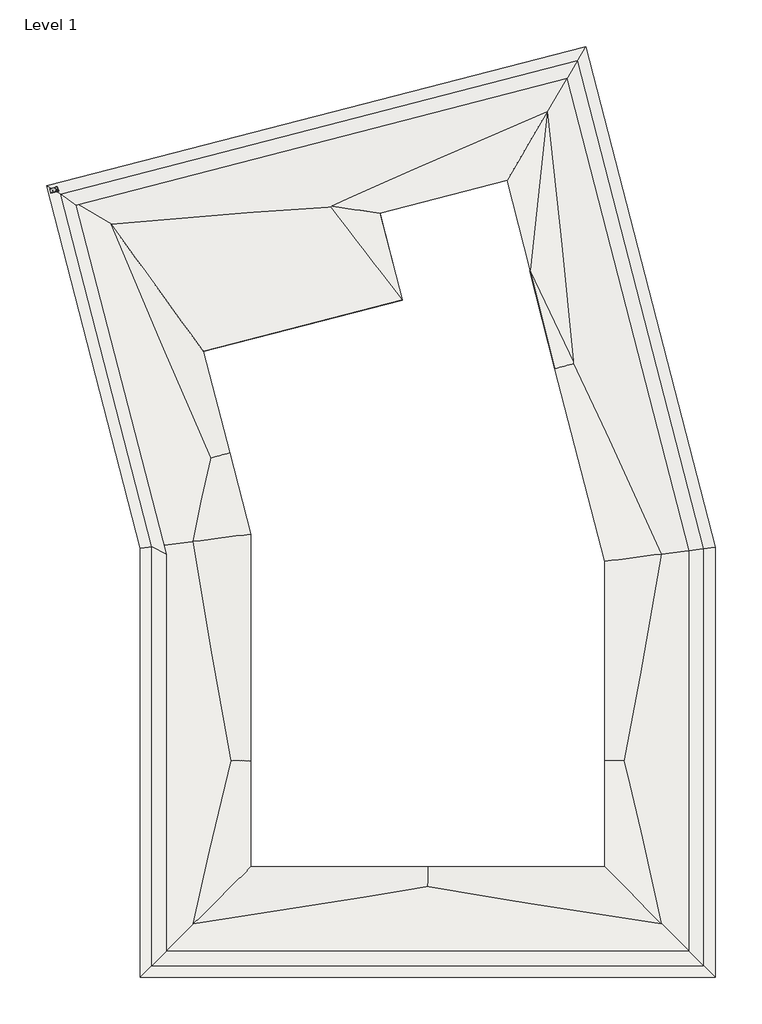
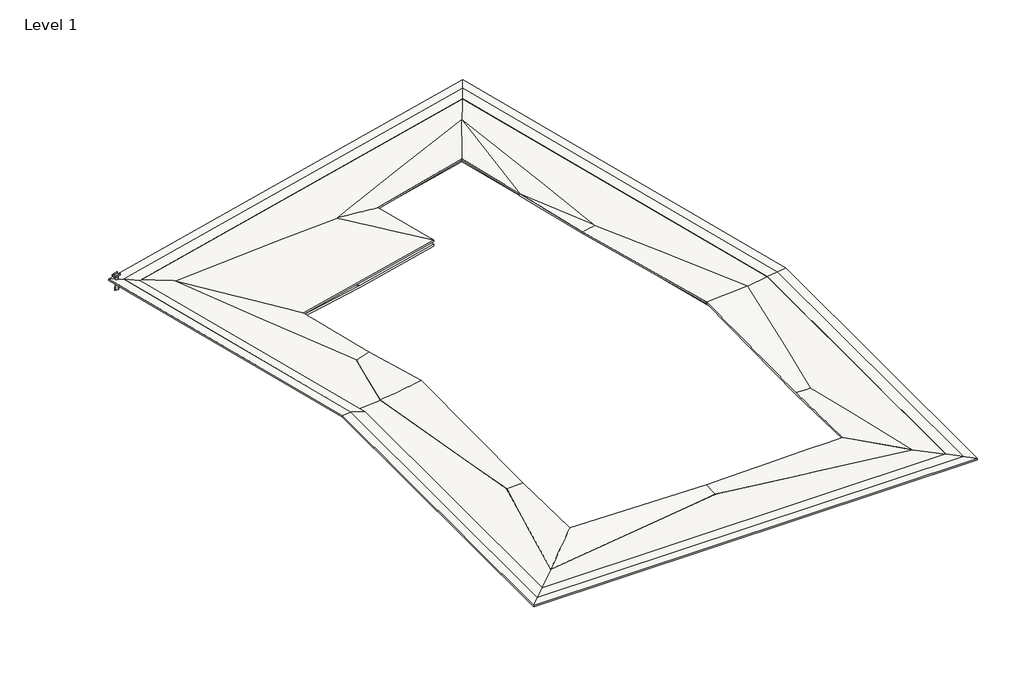
# One storey: 2 roofs, 1 proxy, 1 slab.
"""IFC4 building model written with IfcOpenShell, lengths in millimetres."""

import ifcopenshell
import ifcopenshell.guid

model = None  # the IFC model being written
_history = None  # IfcOwnerHistory: only IFC2X3 demands one
_inside = {}  # id of a spatial element -> (the spatial element, [elements in it])
_under = {}  # id of a project, library or spatial element -> (it, [spatial elements below it])
_declared = {}  # id of a project -> (the project, [libraries it declares])
_typed = {}  # id of a type object -> (the type object, [elements of that type])
_made_of = {}  # id of a material, layer set ... -> (it, [elements and type objects made of it])


def new_model(schema):
    """Start an empty IFC model of exactly this schema.

    Asked for "IFC4X3", IfcOpenShell would pick the latest addendum, in which some entities
    have other attributes; the version numbers below select the first issue.
    IFC2X3 requires an IfcOwnerHistory on every rooted entity: one is made here for all.
    """
    global model, _history
    if schema == "IFC4X3":
        model = ifcopenshell.file(schema_version=(4, 3, 0, 0))
    else:
        model = ifcopenshell.file(schema=schema)
    _inside.clear()
    _under.clear()
    _declared.clear()
    _typed.clear()
    _made_of.clear()
    _history = None
    if model.schema == "IFC2X3":
        org = make("IfcOrganization", Name="unknown")
        user = make(
            "IfcPersonAndOrganization",
            ThePerson=make("IfcPerson", FamilyName="unknown"),
            TheOrganization=org,
        )
        app = make(
            "IfcApplication",
            ApplicationDeveloper=org,
            Version="unknown",
            ApplicationFullName="unknown",
            ApplicationIdentifier="unknown",
        )
        _history = make(
            "IfcOwnerHistory",
            OwningUser=user,
            OwningApplication=app,
            ChangeAction="ADDED",
            CreationDate=0,
        )
    return model


def make(cls, **values):
    """One entity of the class cls with the attributes given. An attribute that is None is left unset."""
    return model.create_entity(
        cls, **{name: value for name, value in values.items() if value is not None}
    )


def rooted(cls, **values):
    """An entity with a GlobalId (a new one), such as an element, a storey or a relation."""
    return make(cls, GlobalId=ifcopenshell.guid.new(), OwnerHistory=_history, **values)


def si_unit(unit_type, name, prefix=None):
    """IfcSIUnit, for example si_unit("LENGTHUNIT", "METRE", prefix="MILLI")."""
    return make("IfcSIUnit", UnitType=unit_type, Prefix=prefix, Name=name)


def assignment(units):
    """IfcUnitAssignment: the units of a project."""
    return None if units is None else make("IfcUnitAssignment", Units=units)


def point(xyz):
    """IfcCartesianPoint."""
    return None if xyz is None else make("IfcCartesianPoint", Coordinates=xyz)


def direction(xyz):
    """IfcDirection."""
    return None if xyz is None else make("IfcDirection", DirectionRatios=xyz)


def frame(location, z_axis=None, x_axis=None):
    """IfcAxis2Placement3D, a coordinate frame: its origin and axes. An axis left out is left unset."""
    return make(
        "IfcAxis2Placement3D",
        Location=point(location),
        Axis=direction(z_axis),
        RefDirection=direction(x_axis),
    )


def frame_2d(location, x_axis=None):
    """IfcAxis2Placement2D, a coordinate frame in the plane: its origin and x axis."""
    return make(
        "IfcAxis2Placement2D", Location=point(location), RefDirection=direction(x_axis)
    )


def origin():
    """The frame at (0, 0, 0) with its axes left unset."""
    return frame((0.0, 0.0, 0.0))


def place(relative_to, where):
    """IfcLocalPlacement: puts the frame where relative to a parent placement (None: the world)."""
    return make(
        "IfcLocalPlacement", PlacementRelTo=relative_to, RelativePlacement=where
    )


def context(
    kind, dimensions, precision=None, world=None, true_north=None, identifier=None
):
    """IfcGeometricRepresentationContext, for example the 3D "Model" context."""
    return make(
        "IfcGeometricRepresentationContext",
        ContextIdentifier=identifier,
        ContextType=kind,
        CoordinateSpaceDimension=dimensions,
        Precision=precision,
        WorldCoordinateSystem=world,
        TrueNorth=true_north,
    )


def project(units=None, contexts=None):
    """IfcProject with its units and contexts."""
    return rooted(
        "IfcProject",
        Name="project",
        RepresentationContexts=contexts,
        UnitsInContext=assignment(units),
    )


def spatial(cls, under=None, at=None, **own):
    """A site, building, storey or space (cls), placed at a placement, below another one or the project."""
    s = rooted(cls, ObjectPlacement=at, **own)
    if under is not None:
        _under.setdefault(under.id(), (under, []))[1].append(s)
    return s


def polyline(points):
    """IfcPolyline through the points."""
    return make("IfcPolyline", Points=[point(p) for p in points])


def circle_curve(where, radius):
    """IfcCircle in the frame where."""
    return make("IfcCircle", Position=where, Radius=radius)


def ellipse_curve(where, semi_axis1, semi_axis2):
    """IfcEllipse in the frame where."""
    return make(
        "IfcEllipse", Position=where, SemiAxis1=semi_axis1, SemiAxis2=semi_axis2
    )


def trimmed(basis, trim1, trim2, sense, master):
    """IfcTrimmedCurve: the piece of a basis curve between two trims."""
    return make(
        "IfcTrimmedCurve",
        BasisCurve=basis,
        Trim1=trim1,
        Trim2=trim2,
        SenseAgreement=sense,
        MasterRepresentation=master,
    )


def segment(curve, same_sense, transition):
    """IfcCompositeCurveSegment."""
    return make(
        "IfcCompositeCurveSegment",
        Transition=transition,
        SameSense=same_sense,
        ParentCurve=curve,
    )


def composite_curve(segments, self_intersect=None):
    """IfcCompositeCurve: segments joined end to end."""
    return make("IfcCompositeCurve", Segments=segments, SelfIntersect=self_intersect)


def outline(outer, holes=None, kind="AREA"):
    """IfcArbitraryClosedProfileDef: a profile drawn as a closed curve; with holes, ...WithVoids."""
    if holes is None:
        return make("IfcArbitraryClosedProfileDef", ProfileType=kind, OuterCurve=outer)
    return make(
        "IfcArbitraryProfileDefWithVoids",
        ProfileType=kind,
        OuterCurve=outer,
        InnerCurves=holes,
    )


def extrude(swept, where, along, depth):
    """IfcExtrudedAreaSolid: the profile swept, set in the frame where, extruded along a direction by depth."""
    return make(
        "IfcExtrudedAreaSolid",
        SweptArea=swept,
        Position=where,
        ExtrudedDirection=direction(along),
        Depth=depth,
    )


def faces_of(points, faces, orient=None, outer=None):
    """IfcFace entities. A face is a list of loops; a loop is a list of indices into points, from 0.

    orient and outer hold one flag for each loop. By default every Orientation is true, the
    first loop of a face is its IfcFaceOuterBound and the others are IfcFaceBound.
    """
    made = []
    for i, loops in enumerate(faces):
        bounds = []
        for j, loop in enumerate(loops):
            is_outer = j == 0 if outer is None else outer[i][j]
            bounds.append(
                make(
                    "IfcFaceOuterBound" if is_outer else "IfcFaceBound",
                    Bound=make("IfcPolyLoop", Polygon=[points[k] for k in loop]),
                    Orientation=True if orient is None else orient[i][j],
                )
            )
        made.append(make("IfcFace", Bounds=bounds))
    return made


def faceted_brep(points, faces, orient=None, outer=None, voids=None):
    """IfcFacetedBrep: a solid bounded by flat faces; with voids (closed shells), ...WithVoids."""
    shared = [point(p) for p in points]
    hull = make("IfcClosedShell", CfsFaces=faces_of(shared, faces, orient, outer))
    if voids is None:
        return make("IfcFacetedBrep", Outer=hull)
    return make(
        "IfcFacetedBrepWithVoids",
        Outer=hull,
        Voids=[
            make(cls, CfsFaces=faces_of(shared, fs, o, b)) for cls, fs, o, b in voids
        ],
    )


def shape(context_of_items, identifier, shape_type, items):
    """IfcShapeRepresentation: the items that make up one representation, for example the "Body"."""
    return make(
        "IfcShapeRepresentation",
        ContextOfItems=context_of_items,
        RepresentationIdentifier=identifier,
        RepresentationType=shape_type,
        Items=items,
    )


def source(mapping_origin, context_of_items, identifier, shape_type, items):
    """IfcRepresentationMap: a shape defined once, which mapped items show again and again."""
    return make(
        "IfcRepresentationMap",
        MappingOrigin=mapping_origin,
        MappedRepresentation=shape(context_of_items, identifier, shape_type, items),
    )


def transform(
    local_origin,
    x_axis=None,
    y_axis=None,
    z_axis=None,
    scale=None,
    scale2=None,
    scale3=None,
    uniform=True,
):
    """IfcCartesianTransformationOperator3D, or its non-uniform kind. x_axis, y_axis, z_axis: its Axis1, 2, 3."""
    if uniform:
        return make(
            "IfcCartesianTransformationOperator3D",
            Axis1=direction(x_axis),
            Axis2=direction(y_axis),
            LocalOrigin=point(local_origin),
            Scale=scale,
            Axis3=direction(z_axis),
        )
    return make(
        "IfcCartesianTransformationOperator3DnonUniform",
        Axis1=direction(x_axis),
        Axis2=direction(y_axis),
        LocalOrigin=point(local_origin),
        Scale=scale,
        Axis3=direction(z_axis),
        Scale2=scale2,
        Scale3=scale3,
    )


def mapped(mapping_source, mapping_target):
    """IfcMappedItem: shows the shape of a source again, moved by a transform."""
    return make(
        "IfcMappedItem", MappingSource=mapping_source, MappingTarget=mapping_target
    )


def made_of(thing, what):
    """Note that an element or type object is made of a material, layer set ...; save() writes the relation."""
    if what is not None:
        _made_of.setdefault(what.id(), (what, []))[1].append(thing)
    return thing


def element(
    cls,
    number,
    at=None,
    inside=None,
    cuts=None,
    type_object=None,
    material=None,
    context=None,
    identifier="Body",
    shape_type=None,
    held_by="IfcProductDefinitionShape",
    body=None,
    shapes=None,
    **own,
):
    """One element of the class cls, such as IfcWall. Its Tag is "e" and its number.

    at: its placement. inside: the storey or other place that contains it. cuts: it is an
    opening in that element (IfcRelVoidsElement). A single representation is given by context,
    identifier, shape_type and body (its items); several are given by shapes. held_by: the class
    of the entity that holds the representations. save() writes the other relations.
    """
    e = rooted(cls, Tag="e%d" % number, ObjectPlacement=at, **own)
    if body is not None:
        shapes = [shape(context, identifier, shape_type, body)]
    if shapes is not None:
        e.Representation = make(held_by, Representations=shapes)
    if inside is not None:
        _inside.setdefault(inside.id(), (inside, []))[1].append(e)
    if cuts is not None:
        rooted(
            "IfcRelVoidsElement", RelatingBuildingElement=cuts, RelatedOpeningElement=e
        )
    if type_object is not None:
        _typed.setdefault(type_object.id(), (type_object, []))[1].append(e)
    return made_of(e, material)


def aggregate(whole, parts):
    """IfcRelAggregates: a whole, such as a stair, and the parts it consists of."""
    return rooted("IfcRelAggregates", RelatingObject=whole, RelatedObjects=parts)


def save(model, path):
    """Write the relations noted so far, then the file.

    IfcRelAggregates (storeys below a building ...), IfcRelContainedInSpatialStructure (elements
    in a storey), IfcRelDefinesByType, IfcRelAssociatesMaterial and IfcRelDeclares: one each for
    every whole, place, type object, material and project.
    """
    for whole, parts in _under.values():
        aggregate(whole, parts)
    for where, things in _inside.values():
        rooted(
            "IfcRelContainedInSpatialStructure",
            RelatedElements=things,
            RelatingStructure=where,
        )
    for kind, things in _typed.values():
        rooted("IfcRelDefinesByType", RelatedObjects=things, RelatingType=kind)
    for what, things in _made_of.values():
        rooted("IfcRelAssociatesMaterial", RelatedObjects=things, RelatingMaterial=what)
    for by, libraries in _declared.values():
        rooted("IfcRelDeclares", RelatingContext=by, RelatedDefinitions=libraries)
    model.write(path)


def plane_surface(at):
    """IfcPlane: the flat surface through the origin of the frame at, square to its z axis."""
    return make("IfcPlane", Position=at)


def revolved_surface(curve, axis_point, axis_direction):
    """IfcSurfaceOfRevolution: the curve turned about the line through axis_point along axis_direction."""
    return make(
        "IfcSurfaceOfRevolution",
        SweptCurve=make("IfcArbitraryOpenProfileDef", ProfileType="CURVE", Curve=curve),
        AxisPosition=make("IfcAxis1Placement", Location=point(axis_point), Axis=direction(axis_direction)),
    )


def spline_surface(u_degree, v_degree, points, u_multiplicities, v_multiplicities, u_knots, v_knots, weights=None):
    """IfcBSplineSurfaceWithKnots; with weights, IfcRationalBSplineSurfaceWithKnots. points: one row for each step in u."""
    own = dict(
        UDegree=u_degree,
        VDegree=v_degree,
        ControlPointsList=[[point(p) for p in row] for row in points],
        SurfaceForm="UNSPECIFIED",
        UClosed=False,
        VClosed=False,
        SelfIntersect=False,
        UMultiplicities=u_multiplicities,
        VMultiplicities=v_multiplicities,
        UKnots=u_knots,
        VKnots=v_knots,
        KnotSpec="UNSPECIFIED",
    )
    if weights is None:
        return make("IfcBSplineSurfaceWithKnots", **own)
    return make("IfcRationalBSplineSurfaceWithKnots", WeightsData=weights, **own)


def advanced_brep(points, edges, surfaces, faces):
    """IfcAdvancedBrep: a solid bounded by faces that lie on surfaces and meet in shared edges.

    An edge is (start, end): straight between two places in points (the first is 0);
    or (start, end, curve); or (start, end, curve, False) where it runs against its curve.
    A face is (place in surfaces, loops), or (place, loops, False) where it looks against
    its surface's normal. A loop lists edges by number (the first is 1), with a minus sign
    where the edge is run from its end to its start. The first loop is the outer one.
    """
    corners = [point(p) for p in points]
    vertices = [make("IfcVertexPoint", VertexGeometry=c) for c in corners]
    made = []
    for start, end, *more in edges:
        made.append(
            make(
                "IfcEdgeCurve",
                EdgeStart=vertices[start],
                EdgeEnd=vertices[end],
                EdgeGeometry=more[0] if more else make("IfcPolyline", Points=[corners[start], corners[end]]),
                SameSense=more[1] if len(more) > 1 else True,
            )
        )
    hull = []
    for where, loops, *sense in faces:
        bounds = []
        for j, loop in enumerate(loops):
            ring = [make("IfcOrientedEdge", EdgeElement=made[abs(k) - 1], Orientation=k > 0) for k in loop]
            bounds.append(
                make(
                    "IfcFaceOuterBound" if j == 0 else "IfcFaceBound",
                    Bound=make("IfcEdgeLoop", EdgeList=ring),
                    Orientation=True,
                )
            )
        hull.append(make("IfcAdvancedFace", Bounds=bounds, FaceSurface=surfaces[where], SameSense=sense[0] if sense else True))
    return make("IfcAdvancedBrep", Outer=make("IfcClosedShell", CfsFaces=hull))


def generic_models_5685a7fc(model_context):
    return source(origin(), model_context, "Body", "SweptSolid", [
        extrude(outline(polyline([(0.0, -12.7), (0.0, 0.0), (76.1999999, 0.0), (76.1999999, -12.7), (0.0, -12.7)])), frame((23.1821625, -173.8842049, 2887.802178), z_axis=(-0.04323012323297138, -0.043270651097915135, 0.998127650753562), x_axis=(-0.0018723492464439717, 0.9990633867545955, 0.04323012323295927)), (0.0, 0.0, 1.0), 304.8),
        extrude(outline(polyline([(-152.4000001, 0.0), (0.0, 0.0), (152.4, 0.0), (152.4, -127.0), (139.7, -127.0), (139.6999999, -12.7), (-139.7, -12.7), (-139.7, -127.0), (-152.4, -127.0), (-152.4000001, 0.0)])), frame((-23.0848359, -277.3922028, 4102.7980882), z_axis=(-0.0018723492464378063, 0.9990633867545954, 0.0432301232329646), x_axis=(0.9990633867545955, 0.0, 0.04327065109791661)), (0.0, 0.0, 1.0), 508.0),
        extrude(outline(composite_curve([segment(trimmed(circle_curve(frame_2d((0.0, -127.0)), 127.0), [point((0.0, -254.0))], [point((0.0, 0.0))], False, "CARTESIAN"), True, "CONTINUOUS"), segment(trimmed(circle_curve(frame_2d((0.0, -127.0)), 127.0), [point((0.0, 0.0))], [point((0.0, -254.0))], False, "CARTESIAN"), True, "CONTINUOUS")], self_intersect=False)), frame((156.0268037, 29.1254753, 2902.3566804), z_axis=(-0.04323012323296148, -0.043270651097917036, 0.9981276507535625), x_axis=(0.0018723492464376692, -0.9990633867545955, -0.043230123232961444)), (0.0, 0.0, 1.0), 1219.2),
    ])


model = new_model("IFC4")

# Units and contexts
model_context = context("Model", 3, world=origin())
ifc_project = project(units=[si_unit("LENGTHUNIT", "METRE", prefix="MILLI")], contexts=[model_context])

# Site, building, storey
site = spatial("IfcSite", under=ifc_project)
building = spatial("IfcBuilding", under=site)
storey = spatial("IfcBuildingStorey", under=building, Name="Level 1", Elevation=0.0)

# Proxy
placement = place(None, origin())
generic_models_shape = generic_models_5685a7fc(model_context)
element("IfcBuildingElementProxy", 1, Name="Generic Models", at=placement, inside=storey, context=model_context, shape_type="MappedRepresentation", body=[
    mapped(generic_models_shape, transform((9546.8174092, 24377.1410846, -3075.7358796), x_axis=(0.24981887968829433, -0.9675443606009808, -0.03805834495251427), y_axis=(0.9682458365518563, 0.2499999999999928, 0.0), z_axis=(0.009514586238081033, -0.03684983404633851, 0.9992755187531995))),
])

# Roofs
element("IfcRoof", 2, at=placement, inside=storey, context=model_context, shape_type="AdvancedBrep", body=[
    advanced_brep(
    [(52124.9766595, -26472.7972126, 593.725), (15091.7949704, -26472.7972126, 593.725), (21987.8949702, -19576.6972128, 331.0805664), (45228.8766597, -19576.6972128, 331.0805664), (15091.7949704, 1163.3837895, 593.725), (9065.6284605, 24502.6263238, 593.725), (9457.9811102, 24271.3054781, 581.4589056), (9613.3715641, 24119.3779511, 577.1752172), (9666.754176, 24148.2183468, 574.9320473), (24712.5418664, 15277.6160085, 104.5566005), (18954.4897757, 13790.7793656, 331.0505906), (21987.1439093, 2046.2608559, 331.042017), (21987.1439093, 2039.2079384, 331.1091713), (52124.9766595, 1217.0406574, 593.725), (45229.1358884, -19576.6972128, 331.0904394), (45229.1358884, 341.1540376, 331.0904394), (21987.1439093, -19576.6972128, 331.1091713), (43797.2245538, 33470.2858741, 593.725), (45229.1358884, 359.6511799, 331.2665596), (38847.2967582, 25074.5129767, 331.2485176), (38846.4356935, 25077.8476104, 331.379686), (30474.1894845, 22915.9771981, 331.3735742), (31963.1116316, 17149.8486038, 104.5618935), (9549.8909621, 24365.2372654, 584.0476676), (15091.7949704, -26472.7972126, 749.4127929), (52124.9766595, -26472.7972126, 749.4127929), (45228.8766597, -19576.6972128, 486.7683593), (21987.8949702, -19576.6972128, 486.7683593), (9065.6284605, 24502.6263238, 749.4127929), (15091.7949704, 1163.3837895, 749.4127929), (21987.1439093, 2039.2079384, 486.7969642), (21987.1439093, 2046.2608559, 486.7298099), (18954.4897757, 13790.7793656, 486.7383835), (24712.5418664, 15277.6160085, 260.2443934), (9671.4224064, 24145.4660804, 730.4738976), (9460.5312522, 24269.8019812, 737.0669735), (52124.9766595, 1217.0406574, 749.4127929), (45229.1358884, 341.1540376, 486.7782323), (45229.1358884, -19576.6972128, 486.7782323), (21987.1439093, -19576.6972128, 486.7969642), (43797.2245538, 33470.2858741, 749.4127929), (38847.2967582, 25074.5129767, 486.9363105), (45229.1358884, 359.6511799, 486.9543525), (9551.3711939, 24359.5043525, 739.5099565), (31963.1116316, 17149.8486038, 260.2496864), (30474.1894845, 22915.9771981, 487.0613671), (38846.4356935, 25077.8476104, 487.0674789), (9614.8251893, 24113.7480849, 729.8431368)],
    [
        (0, 1),
        (1, 2),
        (2, 3),
        (3, 0),
        (4, 5),
        (5, 6),
        (6, 7, ellipse_curve(frame((9581.5985451, 24242.4343244, 577.1752172), z_axis=(0.036849834046338605, 0.009514586238081059, 0.9992755187531992), x_axis=(-0.5070684716574593, -0.8614858507913605, 0.02690156012677187)), 127.1842184, 127.0)),
        (7, 8, ellipse_curve(frame((9581.5985451, 24242.4343244, 577.1752172), z_axis=(0.036849834046338605, 0.009514586238081059, 0.9992755187531992), x_axis=(-0.5070684716574593, -0.8614858507913605, 0.02690156012677187)), 127.1842184, 127.0)),
        (8, 9),
        (9, 10),
        (10, 11),
        (11, 12),
        (12, 4),
        (13, 0),
        (3, 14),
        (14, 15),
        (15, 13),
        (1, 4),
        (12, 16),
        (16, 2),
        (17, 13),
        (15, 18),
        (18, 19),
        (19, 17),
        (5, 17),
        (19, 20),
        (20, 21),
        (21, 22),
        (22, 9),
        (8, 23, circle_curve(frame((9581.6179598, 24242.3591316, 579.2142578), z_axis=(0.00951458623808103, -0.0368498340463385, 0.9992755187531993), x_axis=(0.24981887968829433, -0.9675443606009808, -0.03805834495251427)), 127.0)),
        (23, 6, circle_curve(frame((9581.6179598, 24242.3591316, 579.2142578), z_axis=(0.00951458623808103, -0.0368498340463385, 0.9992755187531993), x_axis=(0.24981887968829433, -0.9675443606009808, -0.03805834495251427)), 127.0)),
        (24, 25),
        (25, 26),
        (26, 27),
        (27, 24),
        (28, 29),
        (29, 30),
        (30, 31),
        (31, 32),
        (32, 33),
        (33, 34),
        (34, 35),
        (35, 28),
        (25, 36),
        (36, 37),
        (37, 38),
        (38, 26),
        (29, 24),
        (27, 39),
        (39, 30),
        (36, 40),
        (40, 41),
        (41, 42),
        (42, 37),
        (40, 28),
        (35, 43, circle_curve(frame((9583.0981916, 24236.6262187, 734.6765466), z_axis=(-0.00951458623808103, 0.0368498340463385, -0.9992755187531993), x_axis=(0.24981887968829433, -0.9675443606009808, -0.03805834495251427)), 127.0)),
        (43, 34, circle_curve(frame((9583.0981916, 24236.6262187, 734.6765466), z_axis=(-0.00951458623808103, 0.0368498340463385, -0.9992755187531993), x_axis=(0.24981887968829433, -0.9675443606009808, -0.03805834495251427)), 127.0)),
        (33, 44),
        (44, 45),
        (45, 46),
        (46, 41),
        (24, 1),
        (0, 25),
        (13, 36),
        (17, 40),
        (5, 28),
        (4, 29),
        (20, 46),
        (45, 21),
        (44, 22),
        (32, 10),
        (31, 11),
        (39, 16),
        (38, 14),
        (42, 18),
        (47, 35, circle_curve(frame((9583.0981916, 24236.6262187, 734.6765466), z_axis=(-0.00951458623808103, 0.0368498340463385, -0.9992755187531993), x_axis=(0.24981887968829433, -0.9675443606009808, -0.03805834495251427)), 127.0)),
        (34, 47, circle_curve(frame((9583.0981916, 24236.6262187, 734.6765466), z_axis=(-0.00951458623808103, 0.0368498340463385, -0.9992755187531993), x_axis=(0.24981887968829433, -0.9675443606009808, -0.03805834495251427)), 127.0)),
        (23, 43),
        (47, 7),
    ],
    [
        plane_surface(frame((15091.7949704, -26472.7972126, 593.725), z_axis=(0.0, -0.038058344952514624, -0.9992755187531992), x_axis=(1.0, 0.0, 0.0))),
        plane_surface(frame((9065.6284605, 24502.6263238, 593.725), z_axis=(-0.03684983404633861, -0.00951458623808106, -0.9992755187531994), x_axis=(0.2499999999987509, -0.9682458365521768, 0.0))),
        plane_surface(frame((52124.9766595, -26472.7972126, 593.725), z_axis=(0.038058344952514624, 0.0, -0.9992755187531992), x_axis=(0.0, 1.0, 0.0))),
        plane_surface(frame((15091.7949704, 1163.3837895, 593.725), z_axis=(-0.03805834495251435, 0.0, -0.9992755187531992), x_axis=(0.0, -1.0, 0.0))),
        plane_surface(frame((52124.9766595, 1217.0406574, 593.725), z_axis=(0.036849834046338896, 0.009514586238081138, -0.9992755187531993), x_axis=(-0.24999999999875105, 0.9682458365521768, 0.0))),
        plane_surface(frame((43797.2245538, 33470.2858741, 593.725), z_axis=(-0.009514586238081033, 0.03684983404633851, -0.9992755187531995), x_axis=(-0.9682458365521769, -0.24999999999875094, 0.0))),
        plane_surface(frame((15091.7949704, -26472.7972126, 749.4127929), z_axis=(0.0, 0.03805834495251462, 0.9992755187531992), x_axis=(1.0, 0.0, 0.0))),
        plane_surface(frame((9065.6284605, 24502.6263238, 749.4127929), z_axis=(0.036849834046338605, 0.009514586238081059, 0.9992755187531994), x_axis=(0.2499999999987509, -0.9682458365521768, 0.0))),
        plane_surface(frame((52124.9766595, -26472.7972126, 749.4127929), z_axis=(-0.03805834495251462, 0.0, 0.9992755187531992), x_axis=(0.0, 1.0, 0.0))),
        plane_surface(frame((15091.7949704, 1163.3837895, 749.4127929), z_axis=(0.038058344952514346, 0.0, 0.9992755187531992), x_axis=(0.0, -1.0, 0.0))),
        plane_surface(frame((52124.9766595, 1217.0406574, 749.4127929), z_axis=(-0.036849834046338896, -0.009514586238081138, 0.9992755187531993), x_axis=(-0.24999999999875105, 0.9682458365521768, 0.0))),
        plane_surface(frame((43797.2245538, 33470.2858741, 749.4127929), z_axis=(0.00951458623808103, -0.0368498340463385, 0.9992755187531995), x_axis=(-0.9682458365521769, -0.24999999999875094, 0.0))),
        plane_surface(frame((33608.3858149, -26472.7972126, 593.725), z_axis=(0.0, -1.0, 0.0), x_axis=(1.0, 0.0, 0.0))),
        plane_surface(frame((52124.9766595, -12627.8782776, 593.725), z_axis=(1.0, 0.0, 0.0), x_axis=(0.0, 1.0, 0.0))),
        plane_surface(frame((47961.1006067, 17343.6632658, 593.725), z_axis=(0.9682458365521768, 0.24999999999875097, 0.0), x_axis=(-0.24999999999875097, 0.9682458365521768, 0.0))),
        plane_surface(frame((26431.4265072, 28986.4560989, 593.725), z_axis=(-0.24999999999875078, 0.9682458365521768, 0.0), x_axis=(-0.9682458365521768, -0.24999999999875078, 0.0))),
        plane_surface(frame((12078.7117155, 12833.0050566, 593.725), z_axis=(-0.9682458365521768, -0.24999999999875086, 0.0), x_axis=(0.24999999999875086, -0.9682458365521768, 0.0))),
        plane_surface(frame((15091.7949704, -12654.7067116, 593.725), z_axis=(-1.0, 0.0, 0.0), x_axis=(0.0, -1.0, 0.0))),
        plane_surface(frame((38846.4356935, 25077.8476104, 3220.6446148), z_axis=(0.2500179692491067, -0.9682411967338267, 0.0), x_axis=(0.0, 0.0, -1.0))),
        plane_surface(frame((30474.1894845, 22915.9771981, 3220.6446148), z_axis=(0.9682411967338266, 0.2500179692491067, 0.0), x_axis=(0.0, 0.0, -1.0))),
        plane_surface(frame((31963.1116316, 17149.8486038, 3220.6446148), z_axis=(0.25001796924910674, -0.9682411967338267, 0.0), x_axis=(0.0, 0.0, -1.0))),
        plane_surface(frame((18954.4897757, 13790.7793656, 3220.6446148), z_axis=(0.9682411967338266, 0.2500179692491071, 0.0), x_axis=(0.0, 0.0, -1.0))),
        plane_surface(frame((21987.1439093, 2046.2608559, 3220.6446148), z_axis=(1.0, 0.0, 0.0), x_axis=(0.0, 0.0, -1.0))),
        plane_surface(frame((21987.1439093, -19576.6972128, 3220.6446148), z_axis=(0.0, 1.0, 0.0), x_axis=(0.0, 0.0, -1.0))),
        plane_surface(frame((45229.1358884, -19576.6972128, 3220.6446148), z_axis=(-1.0, 0.0, 0.0), x_axis=(0.0, 0.0, -1.0))),
        plane_surface(frame((45229.1358884, 359.6511799, 3220.6446148), z_axis=(-0.9682411967338266, -0.250017969249107, 0.0), x_axis=(0.0, 0.0, -1.0))),
        plane_surface(frame((9614.8251893, 24113.7480849, 729.8431368), z_axis=(-0.009514586238081033, 0.03684983404633851, -0.9992755187531994), x_axis=(0.9682458365518563, 0.2499999999999928, 0.0))),
        revolved_surface(polyline([(9614.825189274978, 24113.748084869694, 729.8431368812998), (9613.260435373742, 24119.808350670122, 565.5038553559733)]), (9581.6179598, 24242.3591316, 579.2142578), (0.009514586238081033, -0.03684983404633851, 0.9992755187531995)),
    ],
    [
        (0, [[1, 2, 3, 4]]),
        (1, [[5, 6, 7, 8, 9, 10, 11, 12, 13]]),
        (2, [[14, -4, 15, 16, 17]]),
        (3, [[18, -13, 19, 20, -2]]),
        (4, [[21, -17, 22, 23, 24]]),
        (5, [[25, -24, 26, 27, 28, 29, -9, 30, 31, -6]]),
        (6, [[32, 33, 34, 35]]),
        (7, [[36, 37, 38, 39, 40, 41, 42, 43]]),
        (8, [[44, 45, 46, 47, -33]]),
        (9, [[48, -35, 49, 50, -37]]),
        (10, [[51, 52, 53, 54, -45]]),
        (11, [[55, -43, 56, 57, -41, 58, 59, 60, 61, -52]]),
        (12, [[-32, 62, -1, 63]]),
        (13, [[-44, -63, -14, 64]]),
        (14, [[-51, -64, -21, 65]]),
        (15, [[-55, -65, -25, 66]]),
        (16, [[-36, -66, -5, 67]]),
        (17, [[-48, -67, -18, -62]]),
        (18, [[68, -60, 69, -27]]),
        (19, [[-69, -59, 70, -28]]),
        (20, [[71, -10, -29, -70, -58, -40]]),
        (21, [[-71, -39, 72, -11]]),
        (22, [[-72, -38, -50, 73, -19, -12]]),
        (23, [[-73, -49, -34, -47, 74, -15, -3, -20]]),
        (24, [[-74, -46, -54, 75, -22, -16]]),
        (25, [[-68, -26, -23, -75, -53, -61]]),
        (26, [[76, -42, 77]]),
        (27, [[78, -56, -76, 79, -7, -31]]),
        (27, [[-78, -30, -8, -79, -77, -57]]),
    ],
),
])
element("IfcRoof", 3, at=placement, inside=storey, context=model_context, shape_type="AdvancedBrep", body=[
    advanced_brep(
    [(48662.2966688, -23021.1605646, 485.648), (48662.2966688, -23021.1605646, 627.72925), (33593.2390654, -20679.2452083, 524.09725), (33593.2390654, -20679.2452083, 382.016), (18525.2378299, -23028.4664661, 627.72925), (18525.2378299, -23028.4664661, 485.648), (20868.7611668, -12526.1060711, 524.09725), (20868.7611668, -12526.1060711, 382.016), (18503.4252598, 1603.4429936, 627.72925), (18503.4252598, 1603.4429936, 485.648), (19588.5793779, 6953.9470063, 524.09725), (19588.5793779, 6953.9470063, 382.016), (13233.3070595, 22018.961491, 627.72925), (13233.3070595, 22018.961491, 485.648), (27293.6583938, 23215.7302159, 524.09725), (27293.6583938, 23215.7302159, 382.016), (41298.7132132, 29275.7309141, 627.72925), (41298.7132132, 29275.7309141, 485.648), (43063.2132048, 13056.06033, 524.09725), (43063.2132048, 13056.06033, 382.016), (48662.8876223, 788.8222359, 627.72925), (48662.8876223, 788.8222359, 485.648), (46313.7512756, -12529.0731011, 524.09725), (46313.7512756, -12529.0731011, 382.016), (30520.3202611, 22737.6988237, 602.45625), (30520.3202611, 22737.6988237, 460.375), (38723.3428361, 24857.0571924, 635.0), (38723.3428361, 24857.0571924, 777.08125), (40221.5797855, 19058.0985549, 541.197071), (40221.5797855, 19058.0985549, 683.278321), (40172.4317197, 19045.3958309, 541.1905102), (40172.4317197, 19045.3958309, 683.2717602), (41805.5342929, 12726.764242, 438.94375), (45012.2923486, 319.5076002, 635.0), (45012.2923486, 319.5076002, 777.08125), (41805.5342929, 12726.764242, 581.025), (45015.4164871, -12529.0267234, 438.94375), (45017.0751368, -19350.4970446, 635.0), (45017.0751368, -19350.4970446, 777.08125), (45015.4164871, -12529.0267234, 581.025), (33610.0563175, -19353.2706767, 438.94375), (22219.6712156, -19356.0402642, 635.0), (22219.6712156, -19356.0402642, 777.08125), (33610.0563175, -19353.2706767, 581.025), (22218.0125659, -12534.569943, 438.94375), (22214.4607434, 2072.8854553, 634.4822893), (22214.4607434, 2072.8854553, 776.5635393), (22218.0125659, -12534.569943, 581.025), (20860.7969581, 7309.9402152, 438.94375), (19171.9716979, 13843.667765, 515.14375), (19171.9716979, 13843.667765, 657.225), (20860.7969581, 7309.9402152, 581.025), (31964.5485026, 17150.2682753, 464.34375), (31964.5485026, 17150.2682753, 606.425)],
    [
        (0, 1),
        (1, 2),
        (2, 3),
        (3, 0),
        (2, 4),
        (4, 5),
        (5, 3),
        (4, 6),
        (6, 7),
        (7, 5),
        (6, 8),
        (8, 9),
        (9, 7),
        (8, 10),
        (10, 11),
        (11, 9),
        (10, 12),
        (12, 13),
        (13, 11),
        (12, 14),
        (14, 15),
        (15, 13),
        (14, 16),
        (16, 17),
        (17, 15),
        (16, 18),
        (18, 19),
        (19, 17),
        (18, 20),
        (20, 21),
        (21, 19),
        (20, 22),
        (22, 23),
        (23, 21),
        (22, 1),
        (0, 23),
        (24, 25),
        (25, 26),
        (26, 27),
        (27, 24),
        (26, 28),
        (28, 29),
        (29, 27),
        (30, 31),
        (31, 29),
        (28, 30),
        (30, 32),
        (32, 33),
        (33, 34),
        (34, 35),
        (35, 31),
        (33, 36),
        (36, 37),
        (37, 38),
        (38, 39),
        (39, 34),
        (37, 40),
        (40, 41),
        (41, 42),
        (42, 43),
        (43, 38),
        (41, 44),
        (44, 45),
        (45, 46),
        (46, 47),
        (47, 42),
        (45, 48),
        (48, 49),
        (49, 50),
        (50, 51),
        (51, 46),
        (49, 52),
        (52, 53),
        (53, 50),
        (24, 53),
        (52, 25),
        (4, 42),
        (47, 6),
        (46, 8),
        (2, 43),
        (51, 10),
        (50, 12),
        (53, 14),
        (14, 24),
        (27, 16),
        (1, 38),
        (22, 39),
        (20, 34),
        (35, 29),
        (29, 16),
        (18, 35),
        (29, 18),
        (7, 44),
        (41, 5),
        (9, 45),
        (40, 3),
        (11, 48),
        (13, 49),
        (15, 52),
        (17, 26),
        (25, 15),
        (37, 0),
        (36, 23),
        (33, 21),
        (28, 32),
        (17, 28),
        (32, 19),
        (19, 28),
    ],
    [
        plane_surface(frame((33593.2390654, -20679.2452083, 0.0), z_axis=(-0.15356869400876938, -0.9881379742831671, 0.0), x_axis=(0.9881379742831671, -0.15356869400876938, 0.0))),
        plane_surface(frame((18525.2378299, -23028.4664661, 0.0), z_axis=(0.15404696382095606, -0.9880635267722138, 0.0), x_axis=(0.9880635267722138, 0.15404696382095606, 0.0))),
        plane_surface(frame((20868.7611668, -12526.1060711, 0.0), z_axis=(-0.9759964729040934, 0.21778632849370802, 0.0), x_axis=(-0.21778632849370802, -0.9759964729040934, 0.0))),
        plane_surface(frame((18503.4252598, 1603.4429936, 0.0), z_axis=(-0.9862758244507578, -0.16510602079869205, 0.0), x_axis=(0.16510602079869205, -0.9862758244507578, 0.0))),
        plane_surface(frame((19588.5793779, 6953.9470063, 0.0), z_axis=(-0.9800468411691279, 0.1987666700289923, 0.0), x_axis=(-0.1987666700289923, -0.9800468411691279, 0.0))),
        plane_surface(frame((13233.3070595, 22018.961491, 0.0), z_axis=(-0.9213703084061281, -0.38868593335441987, 0.0), x_axis=(0.38868593335441987, -0.9213703084061281, 0.0))),
        plane_surface(frame((27293.6583938, 23215.7302159, 0.0), z_axis=(-0.08480989691456554, 0.996397150430159, 0.0), x_axis=(-0.996397150430159, -0.08480989691456554, 0.0))),
        plane_surface(frame((41298.7132132, 29275.7309141, 0.0), z_axis=(-0.39711876345868735, 0.917767229589858, 0.0), x_axis=(-0.917767229589858, -0.39711876345868735, 0.0))),
        plane_surface(frame((43063.2132048, 13056.06033, 0.0), z_axis=(0.9941346329736624, 0.10814957939040434, 0.0), x_axis=(-0.10814957939040434, 0.9941346329736624, 0.0))),
        plane_surface(frame((48662.8876223, 788.8222359, 0.0), z_axis=(0.9097044329423886, 0.4152563601980918, 0.0), x_axis=(-0.4152563601980918, 0.9097044329423886, 0.0))),
        plane_surface(frame((46313.7512756, -12529.0731011, 0.0), z_axis=(0.9847972293061185, -0.17370784999818611, 0.0), x_axis=(0.17370784999818611, 0.9847972293061185, 0.0))),
        plane_surface(frame((48662.2966688, -23021.1605646, 0.0), z_axis=(0.975851654356306, 0.21843431207129657, 0.0), x_axis=(-0.21843431207129657, 0.975851654356306, 0.0))),
        plane_surface(frame((30520.3202611, 22737.6988237, 563.959375), z_axis=(0.2501490527401193, -0.9682073390618464, 0.0), x_axis=(0.0, 0.0, 1.0))),
        plane_surface(frame((38723.3428361, 24857.0571924, 563.959375), z_axis=(-0.9682073390618465, -0.25014905274011884, 0.0), x_axis=(0.0, 0.0, 1.0))),
        plane_surface(frame((40221.5797855, 19058.0985549, 563.959375), z_axis=(-0.2502354228838568, 0.9681850200938545, 0.0), x_axis=(0.0, 0.0, 1.0))),
        plane_surface(frame((40172.4317197, 19045.3958309, 563.959375), z_axis=(-0.9681850200938538, -0.2502354228838595, 0.0), x_axis=(0.0, 0.0, 1.0))),
        plane_surface(frame((45012.2923486, 319.5076002, 563.959375), z_axis=(-0.9999999704387121, -0.0002431513416086551, 0.0), x_axis=(0.0, 0.0, 1.0))),
        plane_surface(frame((45017.0751368, -19350.4970446, 563.959375), z_axis=(-0.0002431513416086551, 0.9999999704387121, 0.0), x_axis=(0.0, 0.0, 1.0))),
        plane_surface(frame((22219.6712156, -19356.0402642, 563.959375), z_axis=(0.9999999704387121, 0.0002431513416086551, 0.0), x_axis=(0.0, 0.0, 1.0))),
        plane_surface(frame((22214.4607434, 2072.8854553, 563.959375), z_axis=(0.9681803759067215, 0.2502533910042372, 0.0), x_axis=(0.0, 0.0, 1.0))),
        plane_surface(frame((19171.9716979, 13843.667765, 563.959375), z_axis=(0.2502533910042372, -0.9681803759067215, 0.0), x_axis=(0.0, 0.0, 1.0))),
        plane_surface(frame((31964.5485026, 17150.2682753, 563.959375), z_axis=(0.9681803759067215, 0.25025339100423727, 0.0), x_axis=(0.0, 0.0, 1.0))),
        spline_surface(1, 1, [[(18525.2378299, -23028.4664661, 627.72925), (20868.7611668, -12526.1060711, 524.09725)], [(22219.6712156, -19356.0402642, 777.08125), (22218.0125659, -12534.569943, 581.025)]], [2, 2], [2, 2], [0.0, 1.0], [0.0, 1.0]),
        spline_surface(1, 1, [[(20868.7611668, -12526.1060711, 524.09725), (18503.4252598, 1603.4429936, 627.72925)], [(22218.0125659, -12534.569943, 581.025), (22214.4607434, 2072.8854553, 776.5635393)]], [2, 2], [2, 2], [0.0, 1.0], [0.0, 1.0]),
        spline_surface(1, 1, [[(33593.2390654, -20679.2452083, 524.09725), (18525.2378299, -23028.4664661, 627.72925)], [(33610.0563175, -19353.2706767, 581.025), (22219.6712156, -19356.0402642, 777.08125)]], [2, 2], [2, 2], [0.0, 1.0], [0.0, 1.0]),
        spline_surface(1, 1, [[(18503.4252598, 1603.4429936, 627.72925), (19588.5793779, 6953.9470063, 524.09725)], [(22214.4607434, 2072.8854553, 776.5635393), (20860.7969581, 7309.9402152, 581.025)]], [2, 2], [2, 2], [0.0, 1.0], [0.0, 1.0]),
        spline_surface(1, 1, [[(19588.5793779, 6953.9470063, 524.09725), (13233.3070595, 22018.961491, 627.72925)], [(20860.7969581, 7309.9402152, 581.025), (19171.9716979, 13843.667765, 657.225)]], [2, 2], [2, 2], [0.0, 1.0], [0.0, 1.0]),
        spline_surface(1, 1, [[(13233.3070595, 22018.961491, 627.72925), (27293.6583938, 23215.7302159, 524.09725)], [(19171.9716979, 13843.667765, 657.225), (31964.5485026, 17150.2682753, 606.425)]], [2, 2], [2, 2], [0.0, 1.0], [0.0, 1.0]),
        spline_surface(1, 1, [[(27293.6583938, 23215.7302159, 524.09725), (41298.7132132, 29275.7309141, 627.72925)], [(30520.3202611, 22737.6988237, 602.45625), (38723.3428361, 24857.0571924, 777.08125)]], [2, 2], [2, 2], [0.0, 1.0], [0.0, 1.0]),
        plane_surface(frame((29926.1757192, 21034.5657716, 577.6595), z_axis=(-0.025134049691510583, -0.005786537182346851, 0.9996673424362439), x_axis=(0.6100980454423698, -0.7922529514663634, 0.010753410632741016))),
        spline_surface(1, 1, [[(45017.0751368, -19350.4970446, 777.08125), (48662.2966688, -23021.1605646, 627.72925)], [(33610.0563175, -19353.2706767, 581.025), (33593.2390654, -20679.2452083, 524.09725)]], [2, 2], [2, 2], [0.0, 1.0], [0.0, 1.0]),
        spline_surface(1, 1, [[(46313.7512756, -12529.0731011, 524.09725), (48662.2966688, -23021.1605646, 627.72925)], [(45015.4164871, -12529.0267234, 581.025), (45017.0751368, -19350.4970446, 777.08125)]], [2, 2], [2, 2], [0.0, 1.0], [0.0, 1.0]),
        spline_surface(1, 1, [[(48662.8876223, 788.8222359, 627.72925), (46313.7512756, -12529.0731011, 524.09725)], [(45012.2923486, 319.5076002, 777.08125), (45015.4164871, -12529.0267234, 581.025)]], [2, 2], [2, 2], [0.0, 1.0], [0.0, 1.0]),
        plane_surface(frame((40733.1819327, 16943.4195426, 649.1916937), z_axis=(0.00379483193863676, -0.015198997136020742, 0.9998772873391097), x_axis=(-0.24266748806313754, 0.9699830307939444, 0.01566557400546721))),
        plane_surface(frame((40081.2119449, 24396.9622204, 696.029607), z_axis=(0.05930571964302266, -0.0008249361951524377, 0.9982395259144459), x_axis=(-0.5033370377913953, -0.8635970040654554, 0.029189740604425328))),
        spline_surface(1, 1, [[(43063.2132048, 13056.06033, 524.09725), (48662.8876223, 788.8222359, 627.72925)], [(41805.5342929, 12726.764242, 581.025), (45012.2923486, 319.5076002, 777.08125)]], [2, 2], [2, 2], [0.0, 1.0], [0.0, 1.0]),
        plane_surface(frame((41527.8354011, 20463.2965996, 611.701607), z_axis=(0.05512378576264742, -0.00038277616778228246, 0.9984794548339988), x_axis=(-0.1081473977869852, 0.9941145791969687, 0.006351675364630792))),
        plane_surface(frame((41696.775761, 14946.9743756, 596.1335237), z_axis=(0.046399611441762675, -0.004524681048304471, 0.9989127105605697), x_axis=(-0.4277866798423225, 0.9035620101658876, 0.02396352091122932))),
        spline_surface(1, 1, [[(18525.2378299, -23028.4664661, 485.648), (22219.6712156, -19356.0402642, 635.0)], [(20868.7611668, -12526.1060711, 382.016), (22218.0125659, -12534.569943, 438.94375)]], [2, 2], [2, 2], [0.0, 1.0], [0.0, 1.0]),
        spline_surface(1, 1, [[(20868.7611668, -12526.1060711, 382.016), (22218.0125659, -12534.569943, 438.94375)], [(18503.4252598, 1603.4429936, 485.648), (22214.4607434, 2072.8854553, 634.4822893)]], [2, 2], [2, 2], [0.0, 1.0], [0.0, 1.0]),
        spline_surface(1, 1, [[(33593.2390654, -20679.2452083, 382.016), (33610.0563175, -19353.2706767, 438.94375)], [(18525.2378299, -23028.4664661, 485.648), (22219.6712156, -19356.0402642, 635.0)]], [2, 2], [2, 2], [0.0, 1.0], [0.0, 1.0]),
        spline_surface(1, 1, [[(18503.4252598, 1603.4429936, 485.648), (22214.4607434, 2072.8854553, 634.4822893)], [(19588.5793779, 6953.9470063, 382.016), (20860.7969581, 7309.9402152, 438.94375)]], [2, 2], [2, 2], [0.0, 1.0], [0.0, 1.0]),
        spline_surface(1, 1, [[(19588.5793779, 6953.9470063, 382.016), (20860.7969581, 7309.9402152, 438.94375)], [(13233.3070595, 22018.961491, 485.648), (19171.9716979, 13843.667765, 515.14375)]], [2, 2], [2, 2], [0.0, 1.0], [0.0, 1.0]),
        spline_surface(1, 1, [[(13233.3070595, 22018.961491, 485.648), (19171.9716979, 13843.667765, 515.14375)], [(27293.6583938, 23215.7302159, 382.016), (31964.5485026, 17150.2682753, 464.34375)]], [2, 2], [2, 2], [0.0, 1.0], [0.0, 1.0]),
        spline_surface(1, 1, [[(27293.6583938, 23215.7302159, 382.016), (30520.3202611, 22737.6988237, 460.375)], [(41298.7132132, 29275.7309141, 485.648), (38723.3428361, 24857.0571924, 635.0)]], [2, 2], [2, 2], [0.0, 1.0], [0.0, 1.0]),
        plane_surface(frame((29926.1757192, 21034.5657716, 435.57825), z_axis=(0.025134049691510583, 0.005786537182346851, -0.9996673424362439), x_axis=(0.6100980454423698, -0.7922529514663634, 0.010753410632741016))),
        spline_surface(1, 1, [[(45017.0751368, -19350.4970446, 635.0), (33610.0563175, -19353.2706767, 438.94375)], [(48662.2966688, -23021.1605646, 485.648), (33593.2390654, -20679.2452083, 382.016)]], [2, 2], [2, 2], [0.0, 1.0], [0.0, 1.0]),
        spline_surface(1, 1, [[(46313.7512756, -12529.0731011, 382.016), (45015.4164871, -12529.0267234, 438.94375)], [(48662.2966688, -23021.1605646, 485.648), (45017.0751368, -19350.4970446, 635.0)]], [2, 2], [2, 2], [0.0, 1.0], [0.0, 1.0]),
        spline_surface(1, 1, [[(48662.8876223, 788.8222359, 485.648), (45012.2923486, 319.5076002, 635.0)], [(46313.7512756, -12529.0731011, 382.016), (45015.4164871, -12529.0267234, 438.94375)]], [2, 2], [2, 2], [0.0, 1.0], [0.0, 1.0]),
        plane_surface(frame((40733.1819327, 16943.4195426, 507.1104437), z_axis=(-0.00379483193863676, 0.015198997136020742, -0.9998772873391097), x_axis=(-0.24266748806313754, 0.9699830307939444, 0.01566557400546721))),
        plane_surface(frame((40081.2119449, 24396.9622204, 553.948357), z_axis=(-0.05930571964302266, 0.0008249361951524377, -0.9982395259144459), x_axis=(-0.5033370377913953, -0.8635970040654554, 0.029189740604425328))),
        spline_surface(1, 1, [[(43063.2132048, 13056.06033, 382.016), (41805.5342929, 12726.764242, 438.94375)], [(48662.8876223, 788.8222359, 485.648), (45012.2923486, 319.5076002, 635.0)]], [2, 2], [2, 2], [0.0, 1.0], [0.0, 1.0]),
        plane_surface(frame((41527.8354011, 20463.2965996, 469.620357), z_axis=(-0.05512378576264742, 0.00038277616778228246, -0.9984794548339988), x_axis=(-0.1081473977869852, 0.9941145791969687, 0.006351675364630792))),
        plane_surface(frame((41696.775761, 14946.9743756, 454.0522737), z_axis=(-0.046399611441762675, 0.004524681048304471, -0.9989127105605697), x_axis=(-0.4277866798423225, 0.9035620101658876, 0.02396352091122932))),
    ],
    [
        (0, [[1, 2, 3, 4]]),
        (1, [[-3, 5, 6, 7]]),
        (2, [[-6, 8, 9, 10]]),
        (3, [[-9, 11, 12, 13]]),
        (4, [[-12, 14, 15, 16]]),
        (5, [[-15, 17, 18, 19]]),
        (6, [[-18, 20, 21, 22]]),
        (7, [[-21, 23, 24, 25]]),
        (8, [[-24, 26, 27, 28]]),
        (9, [[-27, 29, 30, 31]]),
        (10, [[-30, 32, 33, 34]]),
        (11, [[-33, 35, -1, 36]]),
        (12, [[37, 38, 39, 40]]),
        (13, [[-39, 41, 42, 43]]),
        (14, [[44, 45, -42, 46]]),
        (15, [[-44, 47, 48, 49, 50, 51]]),
        (16, [[-49, 52, 53, 54, 55, 56]]),
        (17, [[-54, 57, 58, 59, 60, 61]]),
        (18, [[-59, 62, 63, 64, 65, 66]]),
        (19, [[-64, 67, 68, 69, 70, 71]]),
        (20, [[-69, 72, 73, 74]]),
        (21, [[-37, 75, -73, 76]]),
        (22, [[-8, 77, -66, 78]]),
        (23, [[-11, -78, -65, 79]]),
        (24, [[-5, 80, -60, -77]]),
        (25, [[-14, -79, -71, 81]]),
        (26, [[-17, -81, -70, 82]]),
        (27, [[-20, -82, -74, 83]]),
        (28, [[-23, 84, -40, 85]]),
        (29, [[-83, -75, -84]]),
        (30, [[86, -61, -80, -2]]),
        (31, [[-35, 87, -55, -86]]),
        (32, [[-32, 88, -56, -87]]),
        (33, [[89, -45, -51]]),
        (34, [[-85, -43, 90]]),
        (35, [[-29, 91, -50, -88]]),
        (36, [[-26, -90, 92]]),
        (37, [[-92, -89, -91]]),
        (38, [[93, -62, 94, -10]]),
        (39, [[95, -63, -93, -13]]),
        (40, [[-94, -58, 96, -7]]),
        (41, [[97, -67, -95, -16]]),
        (42, [[98, -68, -97, -19]]),
        (43, [[99, -72, -98, -22]]),
        (44, [[100, -38, 101, -25]]),
        (45, [[-101, -76, -99]]),
        (46, [[-4, -96, -57, 102]]),
        (47, [[-102, -53, 103, -36]]),
        (48, [[-103, -52, 104, -34]]),
        (49, [[-47, -46, 105]]),
        (50, [[106, -41, -100]]),
        (51, [[-104, -48, 107, -31]]),
        (52, [[108, -106, -28]]),
        (53, [[-107, -105, -108]]),
    ],
),
])

# Slab
element("IfcSlab", 4, ObjectType="Roof Pavers - 1/2\"", at=placement, inside=storey, context=model_context, shape_type="Brep", body=[
    faceted_brep([(51362.9766595, -25710.7972126, 724.7078153), (51362.9766595, -25710.7972126, 737.4078153), (15853.7949704, -25710.7972126, 737.4078153), (15853.7949704, -25710.7972126, 724.7078153), (15853.7949704, 1258.1982777, 737.4078153), (15853.7949704, 1258.1982777, 724.7078153), (9993.4436118, 23955.1688624, 737.4078153), (9993.4436118, 23955.1688624, 724.7078153), (43249.9213739, 32541.9819752, 737.4078153), (43249.9213739, 32541.9819752, 724.7078153), (51362.9766595, 1120.2539672, 737.4078153), (51362.9766595, 1120.2539672, 724.7078153), (10959.8474775, 23260.3056181, 686.6078153), (10959.8474775, 23260.3056181, 699.3078153), (16768.1949704, 764.7444946, 699.3078153), (16768.1949704, 764.7444946, 686.6078153), (16768.1949704, -24796.3972126, 699.3078153), (16768.1949704, -24796.3972126, 686.6078153), (50448.5766595, -24796.3972126, 699.3078153), (50448.5766595, -24796.3972126, 686.6078153), (50448.5766595, 1004.109939, 699.3078153), (50448.5766595, 1004.109939, 686.6078153), (42593.157558, 31428.0172964, 699.3078153), (42593.157558, 31428.0172964, 686.6078153)], [[[0, 1, 2, 3]], [[3, 2, 4, 5]], [[5, 4, 6, 7]], [[7, 6, 8, 9]], [[9, 8, 10, 11]], [[11, 10, 1, 0]], [[12, 13, 14, 15]], [[15, 14, 16, 17]], [[17, 16, 18, 19]], [[19, 18, 20, 21]], [[21, 20, 22, 23]], [[23, 22, 13, 12]], [[4, 2, 16, 14]], [[2, 1, 18, 16]], [[6, 4, 14, 13]], [[8, 6, 13, 22]], [[10, 20, 18, 1]], [[10, 8, 22, 20]], [[5, 15, 17, 3]], [[3, 17, 19, 0]], [[7, 12, 15, 5]], [[9, 23, 12, 7]], [[11, 0, 19, 21]], [[11, 21, 23, 9]]]),
])

save(model, "model.ifc")
